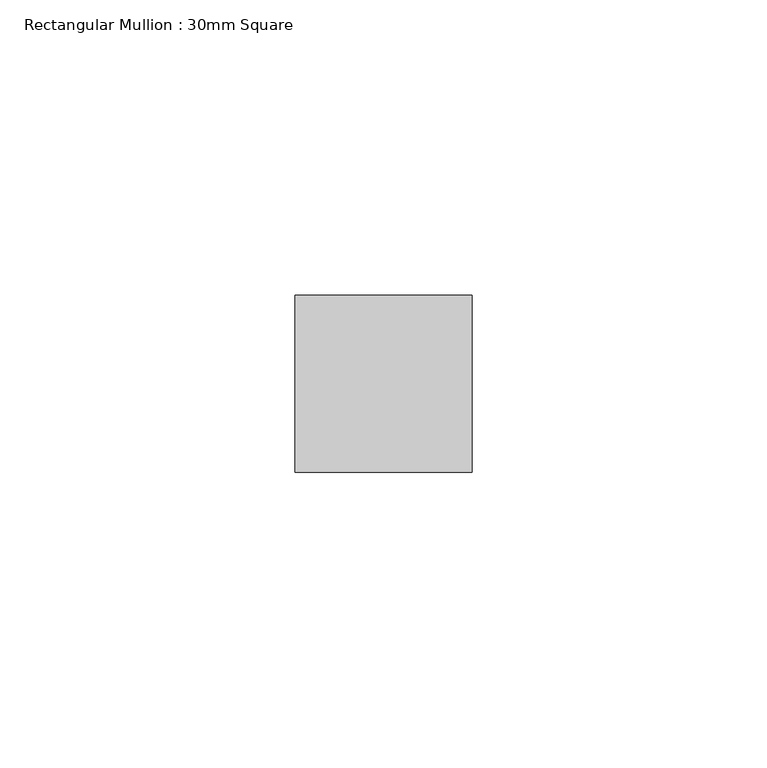
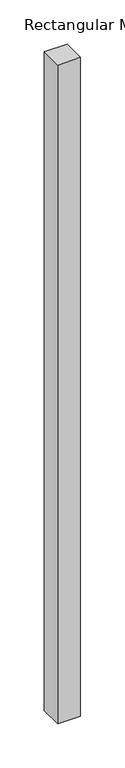
"""IFC4 building model written with IfcOpenShell, lengths in millimetres: member geometry, Rectangular Mullion : 30mm Square."""

from ifc_helpers import new_model, si_unit, frame, origin, place, context, project, spatial, polyline, outline, extrude, source, transform, mapped, element, save


def rectangular_mullion_30mm_square_b1681ae2(model_context):
    return source(origin(), model_context, "Body", "SweptSolid", [
        extrude(outline(polyline([(0.0, 15.0), (0.0, -15.0), (-30.0, -15.0), (-30.0, 15.0), (0.0, 15.0)])), frame((0.0, 0.0, -908.9246058), z_axis=(0.0, 0.0, 1.0), x_axis=(1.0, 0.0, 0.0)), (0.0, 0.0, 1.0), 908.9246058),
    ])


if __name__ == "__main__":
    model = new_model("IFC4")
    model_context = context("Model", 3, world=origin())
    ifc_project = project(units=[si_unit("LENGTHUNIT", "METRE", prefix="MILLI")], contexts=[model_context])
    site = spatial("IfcSite", under=ifc_project)
    building = spatial("IfcBuilding", under=site)
    placement = place(None, origin())
    rectangular_mullion_30mm_square_shape = rectangular_mullion_30mm_square_b1681ae2(model_context)
    element("IfcMember", 1, ObjectType="Rectangular Mullion : 30mm Square", at=placement, inside=building, context=model_context, shape_type="MappedRepresentation", body=[
        mapped(rectangular_mullion_30mm_square_shape, transform((0.0, 0.0, 0.0), x_axis=(1.0, 0.0, 0.0), y_axis=(0.0, 1.0, 0.0), z_axis=(0.0, 0.0, 1.0))),
    ])
    save(model, "model.ifc")
